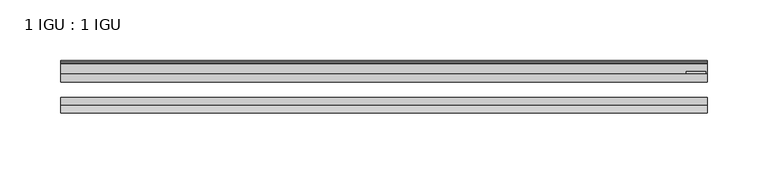
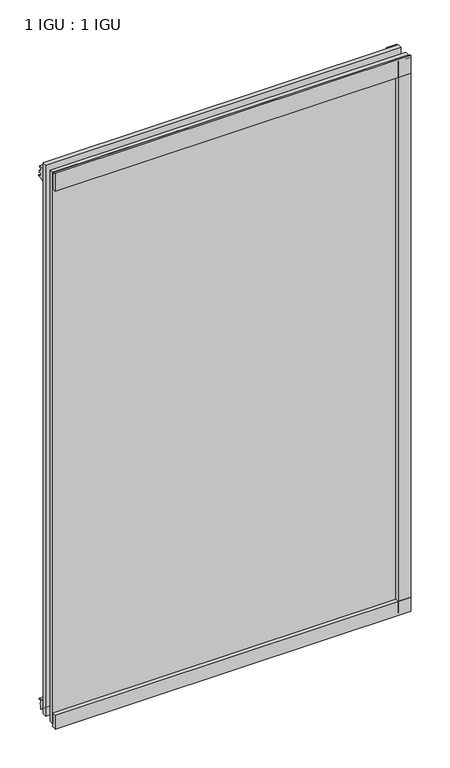
"""IFC4 building model written with IfcOpenShell, lengths in millimetres: plate geometry, 1 IGU : 1 IGU."""

from ifc_helpers import new_model, si_unit, point, frame, frame_2d, origin, place, context, project, spatial, polyline, circle_curve, trimmed, segment, composite_curve, outline, extrude, source, transform, mapped, element, save


def plate_1_igu_1_igu_5ea35a3a(model_context):
    return source(origin(), model_context, "Body", "SweptSolid", [
        extrude(outline(polyline([(265.11885, 0.0021347), (265.11885, -6.2992), (-265.11885, -6.2992), (-265.11885, 0.0021347), (265.11885, 0.0021347)])), frame((0.0, 0.0, -17.4498), z_axis=(0.0, 0.0, 1.0), x_axis=(1.0, 0.0, 0.0)), (0.0, 0.0, 1.0), 868.3366072),
        extrude(outline(polyline([(-265.11885, -19.0986653), (265.11885, -19.0986653), (265.11885, -25.3978653), (-265.11885, -25.3978653), (-265.11885, -19.0986653)])), frame((0.0, 0.0, -17.4498), z_axis=(0.0, 0.0, 1.0), x_axis=(1.0, 0.0, 0.0)), (0.0, 0.0, 1.0), 868.3366072),
        extrude(outline(composite_curve([segment(polyline([(-31.75, 0.0), (-25.4, 0.0), (-25.4, -22.225)]), True, "CONTINUOUS"), segment(trimmed(circle_curve(frame_2d((-28.575, -28.9113452)), 7.4018806), [point((-25.4, -22.225))], [point((-31.75, -22.225))], True, "CARTESIAN"), True, "CONTINUOUS"), segment(polyline([(-31.75, -22.225), (-31.75, 0.0)]), True, "CONTINUOUS")], self_intersect=False)), frame((-265.11885, 0.0, 0.0), z_axis=(1.0, 0.0, 0.0), x_axis=(0.0, 1.0, 0.0)), (0.0, 0.0, 1.0), 530.2377),
        extrude(outline(composite_curve([segment(trimmed(circle_curve(frame_2d((13.6593785, 32.4202472)), 31.3046461), [point((0.0, 4.2528503))], [point((9.3980339, 1.406995))], True, "CARTESIAN"), True, "CONTINUOUS"), segment(polyline([(9.3980339, 1.406995), (9.3980339, 0.0254), (6.35, 0.0254), (6.35, -5.1625788), (7.7309478, -5.3970663), (6.35, -8.0073788), (6.35, -11.8471127)]), True, "CONTINUOUS"), segment(trimmed(circle_curve(frame_2d((5.334, -11.8471127)), 1.016), [point((6.35, -11.8471127))], [point((4.6284878, -12.5782136))], False, "CARTESIAN"), True, "CONTINUOUS"), segment(trimmed(circle_curve(frame_2d((-23.3689302, -41.5910901)), 40.3187601), [point((4.6284878, -12.5782136))], [point((0.0, -8.735413))], True, "CARTESIAN"), True, "CONTINUOUS"), segment(polyline([(0.0, -8.735413), (0.0, 4.2528503)]), True, "CONTINUOUS")], self_intersect=False)), frame((-265.11885, 0.0, 0.0), z_axis=(1.0, 0.0, 0.0), x_axis=(0.0, 1.0, 0.0)), (0.0, 0.0, 1.0), 530.2377),
        extrude(outline(composite_curve([segment(polyline([(8.509, 840.7300284), (8.509, 838.6980284), (6.35, 838.6980284), (6.35, 833.3640284), (8.9492698, 833.3640284)]), True, "CONTINUOUS"), segment(trimmed(circle_curve(frame_2d((8.208689, 831.8368072)), 1.697311), [point((8.9492698, 833.3640284))], [point((8.962411, 830.3160284))], False, "CARTESIAN"), True, "CONTINUOUS"), segment(polyline([(8.962411, 830.3160284), (6.35, 830.3160284), (6.35, 825.4868072), (11.1252, 825.4868072), (11.1252, 824.5978072)]), True, "CONTINUOUS"), segment(trimmed(circle_curve(frame_2d((10.1092, 824.5978072)), 1.016), [point((11.1252, 824.5978072))], [point((10.1092, 823.5818072))], False, "CARTESIAN"), True, "CONTINUOUS"), segment(trimmed(circle_curve(frame_2d((10.1092, 804.1707318)), 19.4110754), [point((10.1092, 823.5818072))], [point((0.0, 820.7416075))], True, "CARTESIAN"), True, "CONTINUOUS"), segment(polyline([(0.0, 820.7416075), (0.0, 840.7300284), (8.509, 840.7300284)]), True, "CONTINUOUS")], self_intersect=False)), frame((-265.11885, 0.0, 0.0), z_axis=(1.0, 0.0, 0.0), x_axis=(0.0, 1.0, 0.0)), (0.0, 0.0, 1.0), 530.2377),
        extrude(outline(composite_curve([segment(polyline([(-25.4, 850.8868072), (-25.4, 825.4868072), (-31.75, 825.4868072), (-31.75, 853.6597045)]), True, "CONTINUOUS"), segment(trimmed(circle_curve(frame_2d((-24.1401272, 862.4292187)), 11.6109665), [point((-31.75, 853.6597045))], [point((-25.4, 850.8868072))], True, "CARTESIAN"), True, "CONTINUOUS")], self_intersect=False)), frame((-265.11885, 0.0, 0.0), z_axis=(1.0, 0.0, 0.0), x_axis=(0.0, 1.0, 0.0)), (0.0, 0.0, 1.0), 530.2377),
        extrude(outline(composite_curve([segment(polyline([(246.06885, -25.4), (265.11885, -25.4)]), True, "CONTINUOUS"), segment(trimmed(circle_curve(frame_2d((274.5850007, -28.575)), 9.9844196), [point((265.11885, -25.4))], [point((265.11885, -31.75))], True, "CARTESIAN"), True, "CONTINUOUS"), segment(polyline([(265.11885, -31.75), (246.06885, -31.75), (246.06885, -25.4)]), True, "CONTINUOUS")], self_intersect=False)), frame((0.0, 0.0, -17.4498), z_axis=(0.0, 0.0, 1.0), x_axis=(1.0, 0.0, 0.0)), (0.0, 0.0, 1.0), 868.3366072),
        extrude(outline(polyline([(263.91235, 2.2860088), (263.91235, 0.0021347), (248.03735, 0.0021347), (248.03735, 2.2860088), (263.91235, 2.2860088)])), frame((0.0, 0.0, -17.4498), z_axis=(0.0, 0.0, 1.0), x_axis=(1.0, 0.0, 0.0)), (0.0, 0.0, 1.0), 868.3366072),
    ])


if __name__ == "__main__":
    model = new_model("IFC4")
    model_context = context("Model", 3, world=origin())
    ifc_project = project(units=[si_unit("LENGTHUNIT", "METRE", prefix="MILLI")], contexts=[model_context])
    site = spatial("IfcSite", under=ifc_project)
    building = spatial("IfcBuilding", under=site)
    placement = place(None, origin())
    plate_1_igu_1_igu_shape = plate_1_igu_1_igu_5ea35a3a(model_context)
    element("IfcPlate", 1, ObjectType="1 IGU : 1 IGU", at=placement, inside=building, context=model_context, shape_type="MappedRepresentation", body=[
        mapped(plate_1_igu_1_igu_shape, transform((0.0, 0.0, 0.0), x_axis=(1.0, 0.0, 0.0), y_axis=(0.0, 1.0, 0.0), z_axis=(0.0, 0.0, 1.0))),
    ])
    save(model, "model.ifc")
